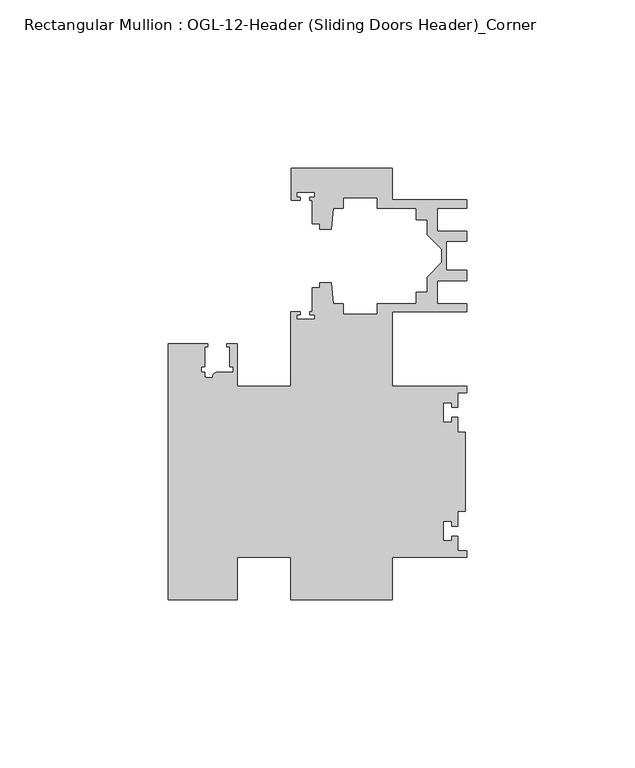
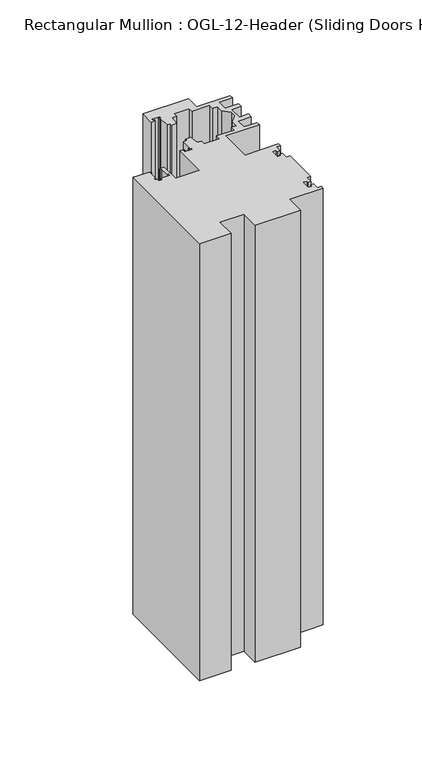
"""IFC4 building model written with IfcOpenShell, lengths in millimetres: member geometry, Rectangular Mullion : OGL-12-Header (Sliding Doors Header)_Corner."""

from ifc_helpers import new_model, si_unit, point, frame, frame_2d, origin, place, context, project, spatial, polyline, circle_curve, trimmed, segment, composite_curve, outline, extrude, source, transform, mapped, element, save


def rectangular_mullion_ogl_12_header_sliding_doors_header_88a68d95(model_context):
    return source(origin(), model_context, "Body", "SweptSolid", [
        extrude(outline(composite_curve([segment(polyline([(0.0, 4.7625), (-22.2332898, 4.7625), (-22.2332898, -7.9371792), (-52.3921824, -7.9371792), (-52.3921824, 4.7625009), (-68.2683157, 4.7625009), (-68.2683157, -7.9375024), (-88.9083412, -7.9375024), (-88.9083412, 68.2624976), (-77.0967193, 68.2624976), (-77.0967193, 67.2624972), (-78.0467296, 67.2624972), (-78.0467296, 61.3772976), (-79.046696, 61.3772976), (-79.046696, 59.6772976), (-78.0467193, 59.6772976), (-78.0467193, 58.6740259)]), True, "CONTINUOUS"), segment(trimmed(circle_curve(frame_2d((-77.5467193, 58.6740259)), 0.5), [point((-78.0467193, 58.6740259))], [point((-77.5467193, 58.1740259))], True, "CARTESIAN"), True, "CONTINUOUS"), segment(polyline([(-77.5467193, 58.1740259), (-75.6077655, 58.1740259)]), True, "CONTINUOUS"), segment(trimmed(circle_curve(frame_2d((-74.44672, 58.4772975)), 1.2000001), [point((-75.6077655, 58.1740259))], [point((-74.44672, 59.6772976))], False, "CARTESIAN"), True, "CONTINUOUS"), segment(polyline([(-74.44672, 59.6772976), (-69.5467192, 59.6772976), (-69.5467192, 61.3772976), (-70.5467089, 61.3772976), (-70.5467089, 67.2624979), (-71.4967192, 67.2624979), (-71.4967192, 68.2624976), (-68.2683157, 68.2624976), (-68.2683157, 55.5625008), (-52.3921824, 55.5625008), (-52.3921824, 77.745996), (-49.5910554, 77.745996), (-49.5910554, 76.8721046), (-50.6220715, 76.8721046), (-50.6220715, 75.4943149), (-45.3220715, 75.4943149), (-45.3220715, 76.8721046), (-46.769305, 76.8721046), (-46.769305, 77.745996), (-45.9710366, 77.745996), (-45.9710366, 84.8247994), (-43.7582575, 84.8247994), (-43.7582575, 86.375852), (-40.3395523, 86.375852), (-39.7961967, 80.1652691), (-36.8419772, 80.1652691), (-36.8419772, 77.000852), (-26.7462575, 77.000852), (-26.7462575, 80.175852), (-15.0768765, 80.175852), (-15.0768765, 83.575852), (-11.8582575, 83.575852), (-11.8582575, 88.0571468), (-7.4980859, 92.4173184), (-7.4980859, 96.2965176), (-11.8582575, 100.6566892), (-11.8582575, 105.137984), (-15.0768765, 105.137984), (-15.0768765, 108.537984), (-26.7462575, 108.537984), (-26.7462575, 111.712984), (-36.8419772, 111.712984), (-36.8419772, 108.5485669), (-39.7961967, 108.5485669), (-40.3395523, 102.337984), (-43.7582575, 102.337984), (-43.7582575, 103.9254518), (-45.9710366, 103.9254518), (-45.9710366, 110.9050364), (-46.8181909, 110.9050364), (-46.8181909, 111.8781466), (-45.3220715, 111.8781466), (-45.3220715, 113.2559363), (-50.6220715, 113.2559363), (-50.6220715, 111.8781466), (-49.5692346, 111.8781466), (-49.5692346, 110.9050364), (-52.2095715, 110.9050364), (-52.2095715, 120.4877352), (-22.2032575, 120.4877352), (-22.2032575, 111.037984), (-0.0082575, 111.037984), (-0.0082575, 108.537984), (-8.8582575, 108.537984), (-8.8582575, 101.6950565), (-0.0082575, 101.6950565), (-0.0082575, 98.6950565), (-6.1582575, 98.6950565), (-6.1582575, 90.0187795), (-0.0082575, 90.0187795), (-0.0082575, 87.0187795), (-8.8582575, 87.0187795), (-8.8582575, 80.175852), (-0.0082575, 80.175852), (-0.0082575, 77.675852), (-22.2332898, 77.675852), (-22.2332898, 55.5625), (0.0, 55.5625), (0.0, 53.650676), (-2.740223, 53.650676), (-2.740223, 49.3020859), (-4.5407068, 49.3020859), (-4.5407068, 50.6896706), (-7.0406862, 50.6896706), (-7.0406862, 44.9276725), (-4.5407047, 44.9276725), (-4.5407047, 46.3230952), (-2.740223, 46.3230952), (-2.740223, 41.9666704), (-0.508, 41.9666704), (-0.508, 18.3583296), (-2.740223, 18.3583296), (-2.740223, 14.0019048), (-4.5407047, 14.0019048), (-4.5407047, 15.3973275), (-7.0406862, 15.3973275), (-7.0406862, 9.6353294), (-4.5407068, 9.6353294), (-4.5407068, 11.0229141), (-2.740223, 11.0229141), (-2.740223, 6.674324), (0.0, 6.674324), (0.0, 4.7625)]), True, "CONTINUOUS")], self_intersect=False)), frame((0.0, 0.0, -304.8), z_axis=(0.0, 0.0, 1.0), x_axis=(1.0, 0.0, 0.0)), (0.0, 0.0, 1.0), 304.8),
    ])


if __name__ == "__main__":
    model = new_model("IFC4")
    model_context = context("Model", 3, world=origin())
    ifc_project = project(units=[si_unit("LENGTHUNIT", "METRE", prefix="MILLI")], contexts=[model_context])
    site = spatial("IfcSite", under=ifc_project)
    building = spatial("IfcBuilding", under=site)
    placement = place(None, origin())
    rectangular_mullion_ogl_12_header_sliding_doors_header_shape = rectangular_mullion_ogl_12_header_sliding_doors_header_88a68d95(model_context)
    element("IfcMember", 1, ObjectType="Rectangular Mullion : OGL-12-Header (Sliding Doors Header)_Corner", at=placement, inside=building, context=model_context, shape_type="MappedRepresentation", body=[
        mapped(rectangular_mullion_ogl_12_header_sliding_doors_header_shape, transform((0.0, 0.0, 0.0), x_axis=(1.0, 0.0, 0.0), y_axis=(0.0, 1.0, 0.0), z_axis=(0.0, 0.0, 1.0))),
    ])
    save(model, "model.ifc")
